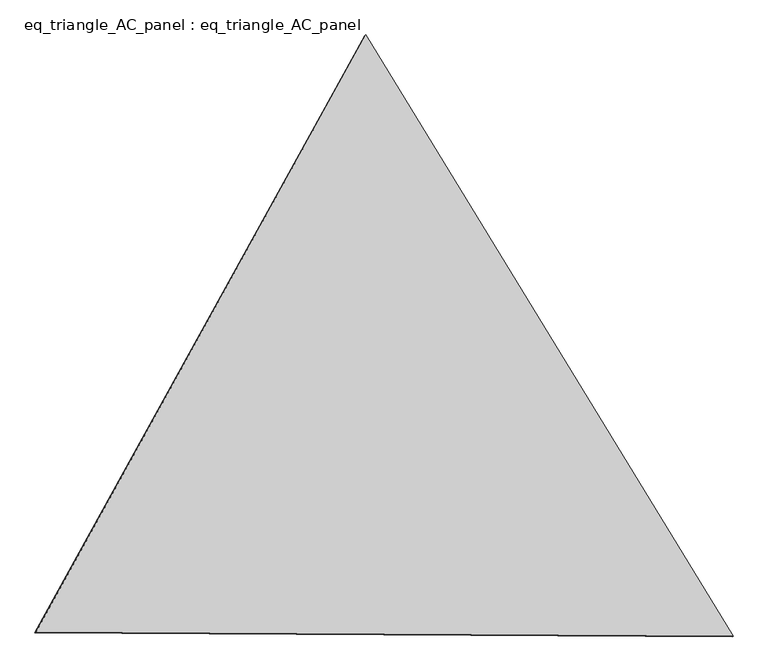
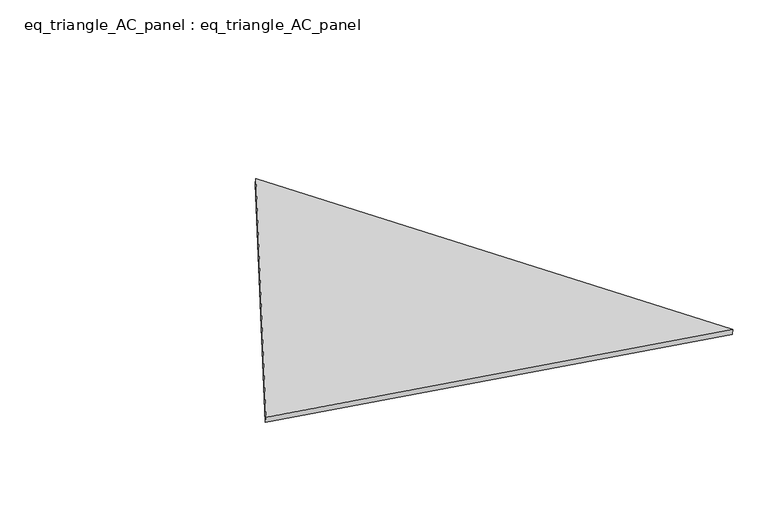
"""IFC4 building model written with IfcOpenShell, lengths in millimetres: proxy geometry, eq_triangle_AC_panel : eq_triangle_AC_panel."""

from ifc_helpers import new_model, si_unit, frame, origin, place, context, project, spatial, polyline, outline, extrude, source, transform, mapped, element, save


def eq_triangle_ac_panel_eq_triangle_ac_panel_bfa93b9e(model_context):
    return source(origin(), model_context, "Body", "SweptSolid", [
        extrude(outline(polyline([(-2032.8332139, 1173.1623945), (2091.3042311, 1173.1623944), (-58.4710174, -2346.3247888), (-2032.8332139, 1173.1623945)])), frame((0.0038051, 527.9290861, 89.8240019), z_axis=(0.14526328518058207, 0.08386570281802204, 0.9858321976225893), x_axis=(0.5211167511673793, -0.8534751609014998, -0.004181073655756885)), (0.0, 0.0, 1.0), 43.8306294),
    ])


if __name__ == "__main__":
    model = new_model("IFC4")
    model_context = context("Model", 3, world=origin())
    ifc_project = project(units=[si_unit("LENGTHUNIT", "METRE", prefix="MILLI")], contexts=[model_context])
    site = spatial("IfcSite", under=ifc_project)
    building = spatial("IfcBuilding", under=site)
    placement = place(None, origin())
    eq_triangle_ac_panel_eq_triangle_ac_panel_shape = eq_triangle_ac_panel_eq_triangle_ac_panel_bfa93b9e(model_context)
    element("IfcBuildingElementProxy", 1, Name="eq_triangle_AC_panel : eq_triangle_AC_panel", ObjectType="eq_triangle_AC_panel : eq_triangle_AC_panel", at=placement, inside=building, context=model_context, shape_type="MappedRepresentation", body=[
        mapped(eq_triangle_ac_panel_eq_triangle_ac_panel_shape, transform((0.0, 0.0, 0.0), x_axis=(1.0, 0.0, 0.0), y_axis=(0.0, 1.0, 0.0), z_axis=(0.0, 0.0, 1.0))),
    ])
    save(model, "model.ifc")
